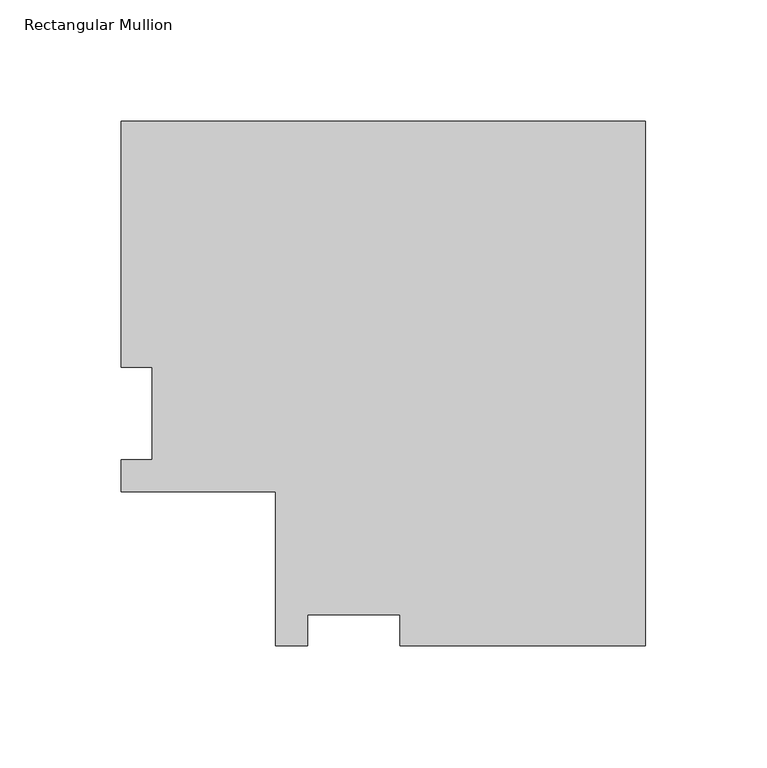
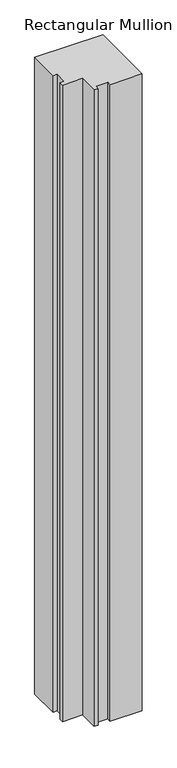
"""IFC4 building model written with IfcOpenShell, lengths in millimetres: member geometry, Rectangular Mullion."""

import ifcopenshell
import ifcopenshell.guid

model = None  # the IFC model being written
_history = None  # IfcOwnerHistory: only IFC2X3 demands one
_inside = {}  # id of a spatial element -> (the spatial element, [elements in it])
_under = {}  # id of a project, library or spatial element -> (it, [spatial elements below it])
_declared = {}  # id of a project -> (the project, [libraries it declares])
_typed = {}  # id of a type object -> (the type object, [elements of that type])
_made_of = {}  # id of a material, layer set ... -> (it, [elements and type objects made of it])


def new_model(schema):
    """Start an empty IFC model of exactly this schema.

    Asked for "IFC4X3", IfcOpenShell would pick the latest addendum, in which some entities
    have other attributes; the version numbers below select the first issue.
    IFC2X3 requires an IfcOwnerHistory on every rooted entity: one is made here for all.
    """
    global model, _history
    if schema == "IFC4X3":
        model = ifcopenshell.file(schema_version=(4, 3, 0, 0))
    else:
        model = ifcopenshell.file(schema=schema)
    _inside.clear()
    _under.clear()
    _declared.clear()
    _typed.clear()
    _made_of.clear()
    _history = None
    if model.schema == "IFC2X3":
        org = make("IfcOrganization", Name="unknown")
        user = make(
            "IfcPersonAndOrganization",
            ThePerson=make("IfcPerson", FamilyName="unknown"),
            TheOrganization=org,
        )
        app = make(
            "IfcApplication",
            ApplicationDeveloper=org,
            Version="unknown",
            ApplicationFullName="unknown",
            ApplicationIdentifier="unknown",
        )
        _history = make(
            "IfcOwnerHistory",
            OwningUser=user,
            OwningApplication=app,
            ChangeAction="ADDED",
            CreationDate=0,
        )
    return model


def make(cls, **values):
    """One entity of the class cls with the attributes given. An attribute that is None is left unset."""
    return model.create_entity(
        cls, **{name: value for name, value in values.items() if value is not None}
    )


def rooted(cls, **values):
    """An entity with a GlobalId (a new one), such as an element, a storey or a relation."""
    return make(cls, GlobalId=ifcopenshell.guid.new(), OwnerHistory=_history, **values)


def si_unit(unit_type, name, prefix=None):
    """IfcSIUnit, for example si_unit("LENGTHUNIT", "METRE", prefix="MILLI")."""
    return make("IfcSIUnit", UnitType=unit_type, Prefix=prefix, Name=name)


def assignment(units):
    """IfcUnitAssignment: the units of a project."""
    return None if units is None else make("IfcUnitAssignment", Units=units)


def point(xyz):
    """IfcCartesianPoint."""
    return None if xyz is None else make("IfcCartesianPoint", Coordinates=xyz)


def direction(xyz):
    """IfcDirection."""
    return None if xyz is None else make("IfcDirection", DirectionRatios=xyz)


def frame(location, z_axis=None, x_axis=None):
    """IfcAxis2Placement3D, a coordinate frame: its origin and axes. An axis left out is left unset."""
    return make(
        "IfcAxis2Placement3D",
        Location=point(location),
        Axis=direction(z_axis),
        RefDirection=direction(x_axis),
    )


def origin():
    """The frame at (0, 0, 0) with its axes left unset."""
    return frame((0.0, 0.0, 0.0))


def place(relative_to, where):
    """IfcLocalPlacement: puts the frame where relative to a parent placement (None: the world)."""
    return make(
        "IfcLocalPlacement", PlacementRelTo=relative_to, RelativePlacement=where
    )


def context(
    kind, dimensions, precision=None, world=None, true_north=None, identifier=None
):
    """IfcGeometricRepresentationContext, for example the 3D "Model" context."""
    return make(
        "IfcGeometricRepresentationContext",
        ContextIdentifier=identifier,
        ContextType=kind,
        CoordinateSpaceDimension=dimensions,
        Precision=precision,
        WorldCoordinateSystem=world,
        TrueNorth=true_north,
    )


def project(units=None, contexts=None):
    """IfcProject with its units and contexts."""
    return rooted(
        "IfcProject",
        Name="project",
        RepresentationContexts=contexts,
        UnitsInContext=assignment(units),
    )


def spatial(cls, under=None, at=None, **own):
    """A site, building, storey or space (cls), placed at a placement, below another one or the project."""
    s = rooted(cls, ObjectPlacement=at, **own)
    if under is not None:
        _under.setdefault(under.id(), (under, []))[1].append(s)
    return s


def polyline(points):
    """IfcPolyline through the points."""
    return make("IfcPolyline", Points=[point(p) for p in points])


def outline(outer, holes=None, kind="AREA"):
    """IfcArbitraryClosedProfileDef: a profile drawn as a closed curve; with holes, ...WithVoids."""
    if holes is None:
        return make("IfcArbitraryClosedProfileDef", ProfileType=kind, OuterCurve=outer)
    return make(
        "IfcArbitraryProfileDefWithVoids",
        ProfileType=kind,
        OuterCurve=outer,
        InnerCurves=holes,
    )


def extrude(swept, where, along, depth):
    """IfcExtrudedAreaSolid: the profile swept, set in the frame where, extruded along a direction by depth."""
    return make(
        "IfcExtrudedAreaSolid",
        SweptArea=swept,
        Position=where,
        ExtrudedDirection=direction(along),
        Depth=depth,
    )


def shape(context_of_items, identifier, shape_type, items):
    """IfcShapeRepresentation: the items that make up one representation, for example the "Body"."""
    return make(
        "IfcShapeRepresentation",
        ContextOfItems=context_of_items,
        RepresentationIdentifier=identifier,
        RepresentationType=shape_type,
        Items=items,
    )


def source(mapping_origin, context_of_items, identifier, shape_type, items):
    """IfcRepresentationMap: a shape defined once, which mapped items show again and again."""
    return make(
        "IfcRepresentationMap",
        MappingOrigin=mapping_origin,
        MappedRepresentation=shape(context_of_items, identifier, shape_type, items),
    )


def transform(
    local_origin,
    x_axis=None,
    y_axis=None,
    z_axis=None,
    scale=None,
    scale2=None,
    scale3=None,
    uniform=True,
):
    """IfcCartesianTransformationOperator3D, or its non-uniform kind. x_axis, y_axis, z_axis: its Axis1, 2, 3."""
    if uniform:
        return make(
            "IfcCartesianTransformationOperator3D",
            Axis1=direction(x_axis),
            Axis2=direction(y_axis),
            LocalOrigin=point(local_origin),
            Scale=scale,
            Axis3=direction(z_axis),
        )
    return make(
        "IfcCartesianTransformationOperator3DnonUniform",
        Axis1=direction(x_axis),
        Axis2=direction(y_axis),
        LocalOrigin=point(local_origin),
        Scale=scale,
        Axis3=direction(z_axis),
        Scale2=scale2,
        Scale3=scale3,
    )


def mapped(mapping_source, mapping_target):
    """IfcMappedItem: shows the shape of a source again, moved by a transform."""
    return make(
        "IfcMappedItem", MappingSource=mapping_source, MappingTarget=mapping_target
    )


def made_of(thing, what):
    """Note that an element or type object is made of a material, layer set ...; save() writes the relation."""
    if what is not None:
        _made_of.setdefault(what.id(), (what, []))[1].append(thing)
    return thing


def element(
    cls,
    number,
    at=None,
    inside=None,
    cuts=None,
    type_object=None,
    material=None,
    context=None,
    identifier="Body",
    shape_type=None,
    held_by="IfcProductDefinitionShape",
    body=None,
    shapes=None,
    **own,
):
    """One element of the class cls, such as IfcWall. Its Tag is "e" and its number.

    at: its placement. inside: the storey or other place that contains it. cuts: it is an
    opening in that element (IfcRelVoidsElement). A single representation is given by context,
    identifier, shape_type and body (its items); several are given by shapes. held_by: the class
    of the entity that holds the representations. save() writes the other relations.
    """
    e = rooted(cls, Tag="e%d" % number, ObjectPlacement=at, **own)
    if body is not None:
        shapes = [shape(context, identifier, shape_type, body)]
    if shapes is not None:
        e.Representation = make(held_by, Representations=shapes)
    if inside is not None:
        _inside.setdefault(inside.id(), (inside, []))[1].append(e)
    if cuts is not None:
        rooted(
            "IfcRelVoidsElement", RelatingBuildingElement=cuts, RelatedOpeningElement=e
        )
    if type_object is not None:
        _typed.setdefault(type_object.id(), (type_object, []))[1].append(e)
    return made_of(e, material)


def aggregate(whole, parts):
    """IfcRelAggregates: a whole, such as a stair, and the parts it consists of."""
    return rooted("IfcRelAggregates", RelatingObject=whole, RelatedObjects=parts)


def save(model, path):
    """Write the relations noted so far, then the file.

    IfcRelAggregates (storeys below a building ...), IfcRelContainedInSpatialStructure (elements
    in a storey), IfcRelDefinesByType, IfcRelAssociatesMaterial and IfcRelDeclares: one each for
    every whole, place, type object, material and project.
    """
    for whole, parts in _under.values():
        aggregate(whole, parts)
    for where, things in _inside.values():
        rooted(
            "IfcRelContainedInSpatialStructure",
            RelatedElements=things,
            RelatingStructure=where,
        )
    for kind, things in _typed.values():
        rooted("IfcRelDefinesByType", RelatedObjects=things, RelatingType=kind)
    for what, things in _made_of.values():
        rooted("IfcRelAssociatesMaterial", RelatedObjects=things, RelatingMaterial=what)
    for by, libraries in _declared.values():
        rooted("IfcRelDeclares", RelatingContext=by, RelatedDefinitions=libraries)
    model.write(path)


def rectangular_mullion_7ef5c7e0(model_context):
    return source(origin(), model_context, "Body", "SweptSolid", [
        extrude(outline(polyline([(0.0, 152.4896938), (0.0, -63.4865063), (-101.2027182, -63.4865063), (-101.2027182, -50.7865063), (-139.3027182, -50.7865063), (-139.3027182, -63.4865062), (-152.4853182, -63.4865062), (-152.4853182, 0.0134937), (-215.9853182, 0.0134937), (-215.9853182, 13.1960938), (-203.2853182, 13.1960938), (-203.2853182, 51.2960937), (-215.9853182, 51.2960937), (-215.9853182, 152.4896938), (0.0, 152.4896938)])), frame((0.0, 0.0, -2133.6), z_axis=(0.0, 0.0, 1.0), x_axis=(1.0, 0.0, 0.0)), (0.0, 0.0, 1.0), 2133.6),
    ])


if __name__ == "__main__":
    model = new_model("IFC4")
    model_context = context("Model", 3, world=origin())
    ifc_project = project(units=[si_unit("LENGTHUNIT", "METRE", prefix="MILLI")], contexts=[model_context])
    site = spatial("IfcSite", under=ifc_project)
    building = spatial("IfcBuilding", under=site)
    placement = place(None, origin())
    rectangular_mullion_shape = rectangular_mullion_7ef5c7e0(model_context)
    element("IfcMember", 1, ObjectType="Rectangular Mullion", at=placement, inside=building, context=model_context, shape_type="MappedRepresentation", body=[
        mapped(rectangular_mullion_shape, transform((0.0, 0.0, 0.0), x_axis=(1.0, 0.0, 0.0), y_axis=(0.0, 1.0, 0.0), z_axis=(0.0, 0.0, 1.0))),
    ])
    save(model, "model.ifc")
